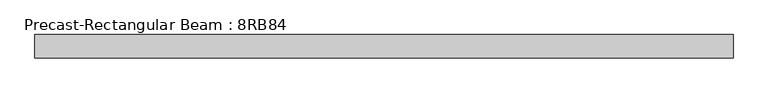
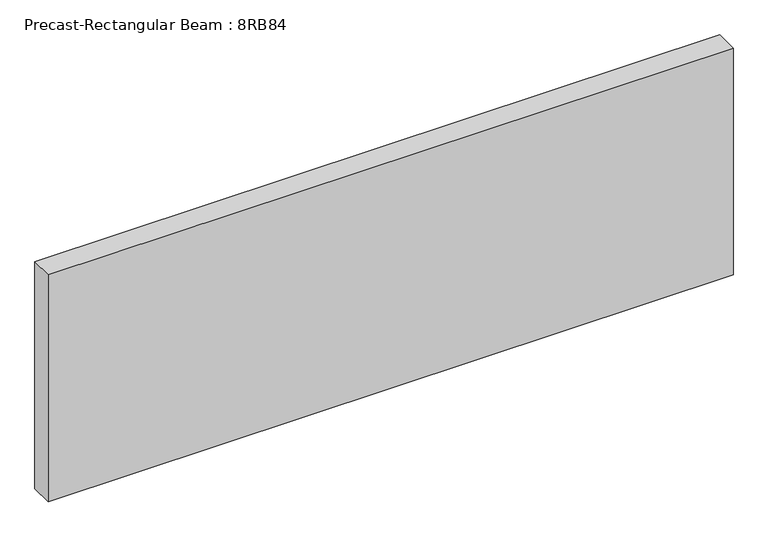
"""IFC4 building model written with IfcOpenShell, lengths in millimetres: beam geometry, Precast-Rectangular Beam : 8RB84."""

from ifc_helpers import new_model, si_unit, frame, origin, place, context, project, spatial, polyline, outline, extrude, source, transform, mapped, element, save


def precast_rectangular_beam_8rb84_2e6d69fc(model_context):
    return source(origin(), model_context, "Body", "SweptSolid", [
        extrude(outline(polyline([(3556.0, 101.6), (3556.0, -101.6), (-2539.9999994, -101.6), (-2539.9999994, 101.6), (3556.0, 101.6)])), frame((0.0, 0.0, -1066.8), z_axis=(0.0, 0.0, 1.0), x_axis=(1.0, 0.0, 0.0)), (0.0, 0.0, 1.0), 2133.6),
    ])


if __name__ == "__main__":
    model = new_model("IFC4")
    model_context = context("Model", 3, world=origin())
    ifc_project = project(units=[si_unit("LENGTHUNIT", "METRE", prefix="MILLI")], contexts=[model_context])
    site = spatial("IfcSite", under=ifc_project)
    building = spatial("IfcBuilding", under=site)
    placement = place(None, origin())
    precast_rectangular_beam_8rb84_shape = precast_rectangular_beam_8rb84_2e6d69fc(model_context)
    element("IfcBeam", 1, ObjectType="Precast-Rectangular Beam : 8RB84", at=placement, inside=building, context=model_context, shape_type="MappedRepresentation", body=[
        mapped(precast_rectangular_beam_8rb84_shape, transform((0.0, 0.0, 0.0), x_axis=(1.0, 0.0, 0.0), y_axis=(0.0, 1.0, 0.0), z_axis=(0.0, 0.0, 1.0))),
    ])
    save(model, "model.ifc")
